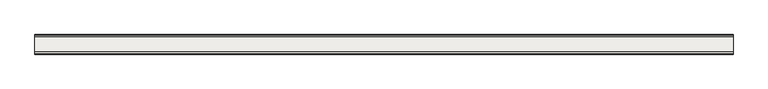
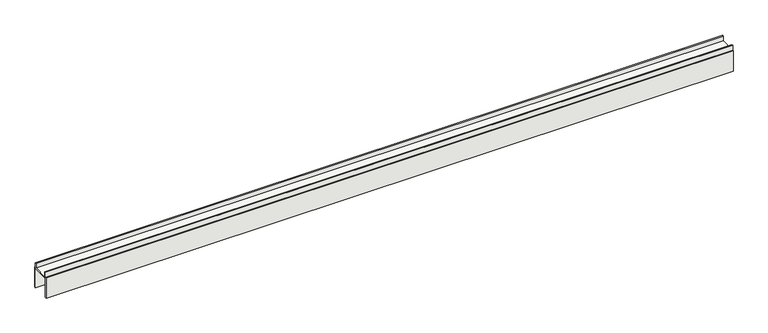
"""IFC4 building model written with IfcOpenShell, lengths in millimetres: covering geometry."""

import ifcopenshell
import ifcopenshell.guid

model = None  # the IFC model being written
_history = None  # IfcOwnerHistory: only IFC2X3 demands one
_inside = {}  # id of a spatial element -> (the spatial element, [elements in it])
_under = {}  # id of a project, library or spatial element -> (it, [spatial elements below it])
_declared = {}  # id of a project -> (the project, [libraries it declares])
_typed = {}  # id of a type object -> (the type object, [elements of that type])
_made_of = {}  # id of a material, layer set ... -> (it, [elements and type objects made of it])


def new_model(schema):
    """Start an empty IFC model of exactly this schema.

    Asked for "IFC4X3", IfcOpenShell would pick the latest addendum, in which some entities
    have other attributes; the version numbers below select the first issue.
    IFC2X3 requires an IfcOwnerHistory on every rooted entity: one is made here for all.
    """
    global model, _history
    if schema == "IFC4X3":
        model = ifcopenshell.file(schema_version=(4, 3, 0, 0))
    else:
        model = ifcopenshell.file(schema=schema)
    _inside.clear()
    _under.clear()
    _declared.clear()
    _typed.clear()
    _made_of.clear()
    _history = None
    if model.schema == "IFC2X3":
        org = make("IfcOrganization", Name="unknown")
        user = make(
            "IfcPersonAndOrganization",
            ThePerson=make("IfcPerson", FamilyName="unknown"),
            TheOrganization=org,
        )
        app = make(
            "IfcApplication",
            ApplicationDeveloper=org,
            Version="unknown",
            ApplicationFullName="unknown",
            ApplicationIdentifier="unknown",
        )
        _history = make(
            "IfcOwnerHistory",
            OwningUser=user,
            OwningApplication=app,
            ChangeAction="ADDED",
            CreationDate=0,
        )
    return model


def make(cls, **values):
    """One entity of the class cls with the attributes given. An attribute that is None is left unset."""
    return model.create_entity(
        cls, **{name: value for name, value in values.items() if value is not None}
    )


def rooted(cls, **values):
    """An entity with a GlobalId (a new one), such as an element, a storey or a relation."""
    return make(cls, GlobalId=ifcopenshell.guid.new(), OwnerHistory=_history, **values)


def si_unit(unit_type, name, prefix=None):
    """IfcSIUnit, for example si_unit("LENGTHUNIT", "METRE", prefix="MILLI")."""
    return make("IfcSIUnit", UnitType=unit_type, Prefix=prefix, Name=name)


def assignment(units):
    """IfcUnitAssignment: the units of a project."""
    return None if units is None else make("IfcUnitAssignment", Units=units)


def point(xyz):
    """IfcCartesianPoint."""
    return None if xyz is None else make("IfcCartesianPoint", Coordinates=xyz)


def direction(xyz):
    """IfcDirection."""
    return None if xyz is None else make("IfcDirection", DirectionRatios=xyz)


def frame(location, z_axis=None, x_axis=None):
    """IfcAxis2Placement3D, a coordinate frame: its origin and axes. An axis left out is left unset."""
    return make(
        "IfcAxis2Placement3D",
        Location=point(location),
        Axis=direction(z_axis),
        RefDirection=direction(x_axis),
    )


def origin():
    """The frame at (0, 0, 0) with its axes left unset."""
    return frame((0.0, 0.0, 0.0))


def place(relative_to, where):
    """IfcLocalPlacement: puts the frame where relative to a parent placement (None: the world)."""
    return make(
        "IfcLocalPlacement", PlacementRelTo=relative_to, RelativePlacement=where
    )


def context(
    kind, dimensions, precision=None, world=None, true_north=None, identifier=None
):
    """IfcGeometricRepresentationContext, for example the 3D "Model" context."""
    return make(
        "IfcGeometricRepresentationContext",
        ContextIdentifier=identifier,
        ContextType=kind,
        CoordinateSpaceDimension=dimensions,
        Precision=precision,
        WorldCoordinateSystem=world,
        TrueNorth=true_north,
    )


def project(units=None, contexts=None):
    """IfcProject with its units and contexts."""
    return rooted(
        "IfcProject",
        Name="project",
        RepresentationContexts=contexts,
        UnitsInContext=assignment(units),
    )


def spatial(cls, under=None, at=None, **own):
    """A site, building, storey or space (cls), placed at a placement, below another one or the project."""
    s = rooted(cls, ObjectPlacement=at, **own)
    if under is not None:
        _under.setdefault(under.id(), (under, []))[1].append(s)
    return s


def polyline(points):
    """IfcPolyline through the points."""
    return make("IfcPolyline", Points=[point(p) for p in points])


def outline(outer, holes=None, kind="AREA"):
    """IfcArbitraryClosedProfileDef: a profile drawn as a closed curve; with holes, ...WithVoids."""
    if holes is None:
        return make("IfcArbitraryClosedProfileDef", ProfileType=kind, OuterCurve=outer)
    return make(
        "IfcArbitraryProfileDefWithVoids",
        ProfileType=kind,
        OuterCurve=outer,
        InnerCurves=holes,
    )


def extrude(swept, where, along, depth):
    """IfcExtrudedAreaSolid: the profile swept, set in the frame where, extruded along a direction by depth."""
    return make(
        "IfcExtrudedAreaSolid",
        SweptArea=swept,
        Position=where,
        ExtrudedDirection=direction(along),
        Depth=depth,
    )


def shape(context_of_items, identifier, shape_type, items):
    """IfcShapeRepresentation: the items that make up one representation, for example the "Body"."""
    return make(
        "IfcShapeRepresentation",
        ContextOfItems=context_of_items,
        RepresentationIdentifier=identifier,
        RepresentationType=shape_type,
        Items=items,
    )


def source(mapping_origin, context_of_items, identifier, shape_type, items):
    """IfcRepresentationMap: a shape defined once, which mapped items show again and again."""
    return make(
        "IfcRepresentationMap",
        MappingOrigin=mapping_origin,
        MappedRepresentation=shape(context_of_items, identifier, shape_type, items),
    )


def transform(
    local_origin,
    x_axis=None,
    y_axis=None,
    z_axis=None,
    scale=None,
    scale2=None,
    scale3=None,
    uniform=True,
):
    """IfcCartesianTransformationOperator3D, or its non-uniform kind. x_axis, y_axis, z_axis: its Axis1, 2, 3."""
    if uniform:
        return make(
            "IfcCartesianTransformationOperator3D",
            Axis1=direction(x_axis),
            Axis2=direction(y_axis),
            LocalOrigin=point(local_origin),
            Scale=scale,
            Axis3=direction(z_axis),
        )
    return make(
        "IfcCartesianTransformationOperator3DnonUniform",
        Axis1=direction(x_axis),
        Axis2=direction(y_axis),
        LocalOrigin=point(local_origin),
        Scale=scale,
        Axis3=direction(z_axis),
        Scale2=scale2,
        Scale3=scale3,
    )


def mapped(mapping_source, mapping_target):
    """IfcMappedItem: shows the shape of a source again, moved by a transform."""
    return make(
        "IfcMappedItem", MappingSource=mapping_source, MappingTarget=mapping_target
    )


def made_of(thing, what):
    """Note that an element or type object is made of a material, layer set ...; save() writes the relation."""
    if what is not None:
        _made_of.setdefault(what.id(), (what, []))[1].append(thing)
    return thing


def element(
    cls,
    number,
    at=None,
    inside=None,
    cuts=None,
    type_object=None,
    material=None,
    context=None,
    identifier="Body",
    shape_type=None,
    held_by="IfcProductDefinitionShape",
    body=None,
    shapes=None,
    **own,
):
    """One element of the class cls, such as IfcWall. Its Tag is "e" and its number.

    at: its placement. inside: the storey or other place that contains it. cuts: it is an
    opening in that element (IfcRelVoidsElement). A single representation is given by context,
    identifier, shape_type and body (its items); several are given by shapes. held_by: the class
    of the entity that holds the representations. save() writes the other relations.
    """
    e = rooted(cls, Tag="e%d" % number, ObjectPlacement=at, **own)
    if body is not None:
        shapes = [shape(context, identifier, shape_type, body)]
    if shapes is not None:
        e.Representation = make(held_by, Representations=shapes)
    if inside is not None:
        _inside.setdefault(inside.id(), (inside, []))[1].append(e)
    if cuts is not None:
        rooted(
            "IfcRelVoidsElement", RelatingBuildingElement=cuts, RelatedOpeningElement=e
        )
    if type_object is not None:
        _typed.setdefault(type_object.id(), (type_object, []))[1].append(e)
    return made_of(e, material)


def aggregate(whole, parts):
    """IfcRelAggregates: a whole, such as a stair, and the parts it consists of."""
    return rooted("IfcRelAggregates", RelatingObject=whole, RelatedObjects=parts)


def save(model, path):
    """Write the relations noted so far, then the file.

    IfcRelAggregates (storeys below a building ...), IfcRelContainedInSpatialStructure (elements
    in a storey), IfcRelDefinesByType, IfcRelAssociatesMaterial and IfcRelDeclares: one each for
    every whole, place, type object, material and project.
    """
    for whole, parts in _under.values():
        aggregate(whole, parts)
    for where, things in _inside.values():
        rooted(
            "IfcRelContainedInSpatialStructure",
            RelatedElements=things,
            RelatingStructure=where,
        )
    for kind, things in _typed.values():
        rooted("IfcRelDefinesByType", RelatedObjects=things, RelatingType=kind)
    for what, things in _made_of.values():
        rooted("IfcRelAssociatesMaterial", RelatedObjects=things, RelatingMaterial=what)
    for by, libraries in _declared.values():
        rooted("IfcRelDeclares", RelatingContext=by, RelatedDefinitions=libraries)
    model.write(path)


def covering_9ecf1bc2(model_context):
    return source(origin(), model_context, "Body", "SweptSolid", [
        extrude(outline(polyline([(19.0, 0.0), (17.0, 0.0), (17.0, 40.0), (-17.0, 40.0), (-17.0, 0.0), (-19.0, 0.0), (-19.0, 42.0), (-17.0, 42.0), (-17.0, 52.0), (-15.0, 52.0), (-15.0, 42.0), (15.0, 42.0), (15.0, 52.0), (17.0, 52.0), (17.0, 42.0), (19.0, 42.0), (19.0, 0.0)])), frame((0.0, 0.0, 0.0), z_axis=(1.0, 0.0, 0.0), x_axis=(0.0, 1.0, 0.0)), (0.0, 0.0, 1.0), 1350.0),
    ])


if __name__ == "__main__":
    model = new_model("IFC4")
    model_context = context("Model", 3, world=origin())
    ifc_project = project(units=[si_unit("LENGTHUNIT", "METRE", prefix="MILLI")], contexts=[model_context])
    site = spatial("IfcSite", under=ifc_project)
    building = spatial("IfcBuilding", under=site)
    placement = place(None, origin())
    covering_shape = covering_9ecf1bc2(model_context)
    element("IfcCovering", 1, at=placement, inside=building, context=model_context, shape_type="MappedRepresentation", body=[
        mapped(covering_shape, transform((0.0, 0.0, 0.0), x_axis=(1.0, 0.0, 0.0), y_axis=(0.0, 1.0, 0.0), z_axis=(0.0, 0.0, 1.0))),
    ])
    save(model, "model.ifc")
